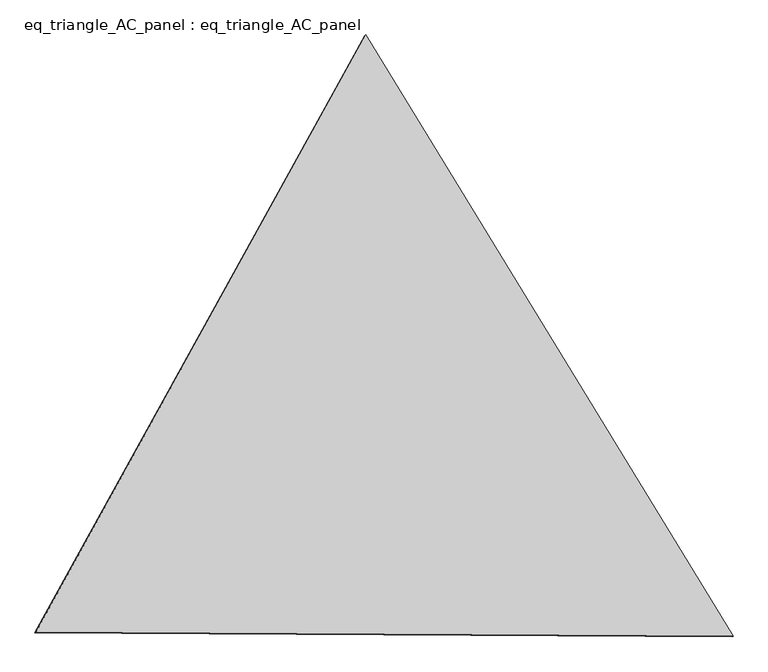
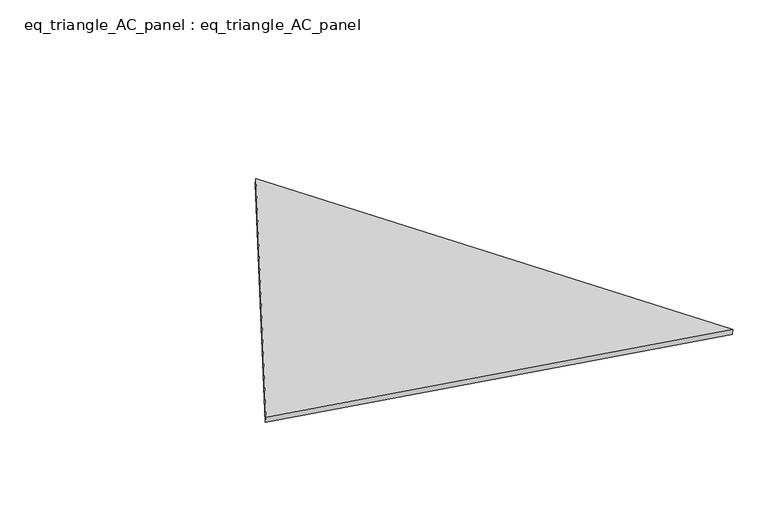
"""IFC4 building model written with IfcOpenShell, lengths in millimetres: proxy geometry, eq_triangle_AC_panel : eq_triangle_AC_panel."""

from ifc_helpers import new_model, si_unit, frame, origin, place, context, project, spatial, polyline, outline, extrude, source, transform, mapped, element, save


def eq_triangle_ac_panel_eq_triangle_ac_panel_c86a3a3c(model_context):
    return source(origin(), model_context, "Body", "SweptSolid", [
        extrude(outline(polyline([(-2032.9901535, 1173.1817838), (2091.1247395, 1173.1817838), (-58.1345862, -2346.3635675), (-2032.9901535, 1173.1817838)])), frame((0.0038051, 527.9290861, 89.8240019), z_axis=(0.1452632851805817, 0.08386570281802147, 0.9858321976225894), x_axis=(0.5209958833197487, -0.8535490666099887, -0.004156976436309978)), (0.0, 0.0, 1.0), 43.8306294),
    ])


if __name__ == "__main__":
    model = new_model("IFC4")
    model_context = context("Model", 3, world=origin())
    ifc_project = project(units=[si_unit("LENGTHUNIT", "METRE", prefix="MILLI")], contexts=[model_context])
    site = spatial("IfcSite", under=ifc_project)
    building = spatial("IfcBuilding", under=site)
    placement = place(None, origin())
    eq_triangle_ac_panel_eq_triangle_ac_panel_shape = eq_triangle_ac_panel_eq_triangle_ac_panel_c86a3a3c(model_context)
    element("IfcBuildingElementProxy", 1, Name="eq_triangle_AC_panel : eq_triangle_AC_panel", ObjectType="eq_triangle_AC_panel : eq_triangle_AC_panel", at=placement, inside=building, context=model_context, shape_type="MappedRepresentation", body=[
        mapped(eq_triangle_ac_panel_eq_triangle_ac_panel_shape, transform((0.0, 0.0, 0.0), x_axis=(1.0, 0.0, 0.0), y_axis=(0.0, 1.0, 0.0), z_axis=(0.0, 0.0, 1.0))),
    ])
    save(model, "model.ifc")
